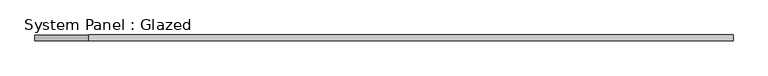
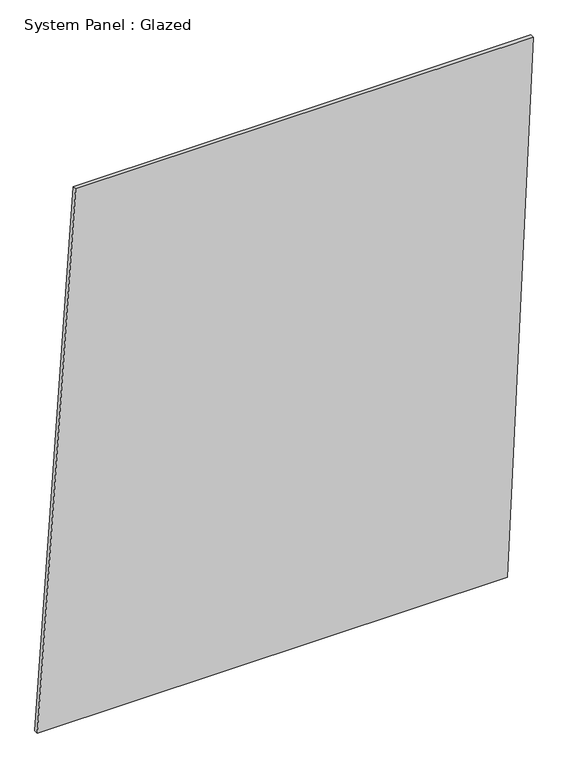
"""IFC4 building model written with IfcOpenShell, lengths in millimetres: plate geometry, System Panel : Glazed."""

from ifc_helpers import new_model, si_unit, frame, origin, place, context, project, spatial, polyline, outline, extrude, source, transform, mapped, element, save


def system_panel_glazed_fd4c2aa5(model_context):
    return source(origin(), model_context, "Body", "SweptSolid", [
        extrude(outline(polyline([(0.0, -1475.9087964), (0.0, 1324.0912036), (3342.6754788, 1475.9087964), (3342.6754788, -1248.1824072), (0.0, -1475.9087964)])), frame((0.0, -49.5, 0.0), z_axis=(0.0, 1.0, 0.0), x_axis=(0.0, 0.0, 1.0)), (0.0, 0.0, 1.0), 25.0),
    ])


if __name__ == "__main__":
    model = new_model("IFC4")
    model_context = context("Model", 3, world=origin())
    ifc_project = project(units=[si_unit("LENGTHUNIT", "METRE", prefix="MILLI")], contexts=[model_context])
    site = spatial("IfcSite", under=ifc_project)
    building = spatial("IfcBuilding", under=site)
    placement = place(None, origin())
    system_panel_glazed_shape = system_panel_glazed_fd4c2aa5(model_context)
    element("IfcPlate", 1, ObjectType="System Panel : Glazed", at=placement, inside=building, context=model_context, shape_type="MappedRepresentation", body=[
        mapped(system_panel_glazed_shape, transform((0.0, 0.0, 0.0), x_axis=(1.0, 0.0, 0.0), y_axis=(0.0, 1.0, 0.0), z_axis=(0.0, 0.0, 1.0))),
    ])
    save(model, "model.ifc")
